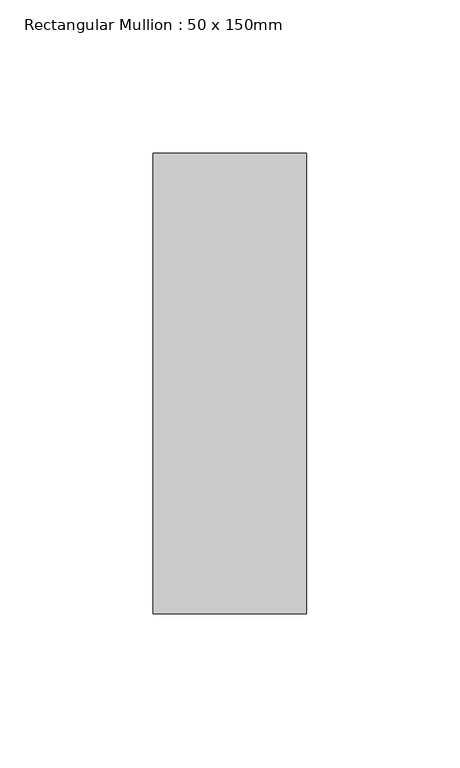
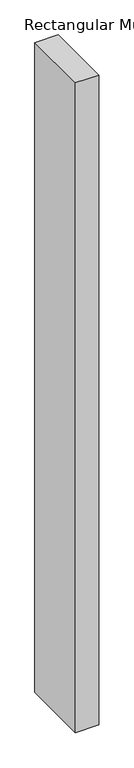
"""IFC4 building model written with IfcOpenShell, lengths in millimetres: member geometry, Rectangular Mullion : 50 x 150mm."""

from ifc_helpers import new_model, si_unit, frame, origin, place, context, project, spatial, polyline, outline, extrude, source, transform, mapped, element, save


def rectangular_mullion_50_x_150mm_e67fcb05(model_context):
    return source(origin(), model_context, "Body", "SweptSolid", [
        extrude(outline(polyline([(0.0, 75.0), (0.0, -75.0), (-50.0, -75.0), (-50.0, 75.0), (0.0, 75.0)])), frame((0.0, 0.0, -1469.9500293), z_axis=(0.0, 0.0, 1.0), x_axis=(1.0, 0.0, 0.0)), (0.0, 0.0, 1.0), 1469.9500293),
    ])


if __name__ == "__main__":
    model = new_model("IFC4")
    model_context = context("Model", 3, world=origin())
    ifc_project = project(units=[si_unit("LENGTHUNIT", "METRE", prefix="MILLI")], contexts=[model_context])
    site = spatial("IfcSite", under=ifc_project)
    building = spatial("IfcBuilding", under=site)
    placement = place(None, origin())
    rectangular_mullion_50_x_150mm_shape = rectangular_mullion_50_x_150mm_e67fcb05(model_context)
    element("IfcMember", 1, ObjectType="Rectangular Mullion : 50 x 150mm", at=placement, inside=building, context=model_context, shape_type="MappedRepresentation", body=[
        mapped(rectangular_mullion_50_x_150mm_shape, transform((0.0, 0.0, 0.0), x_axis=(1.0, 0.0, 0.0), y_axis=(0.0, 1.0, 0.0), z_axis=(0.0, 0.0, 1.0))),
    ])
    save(model, "model.ifc")
